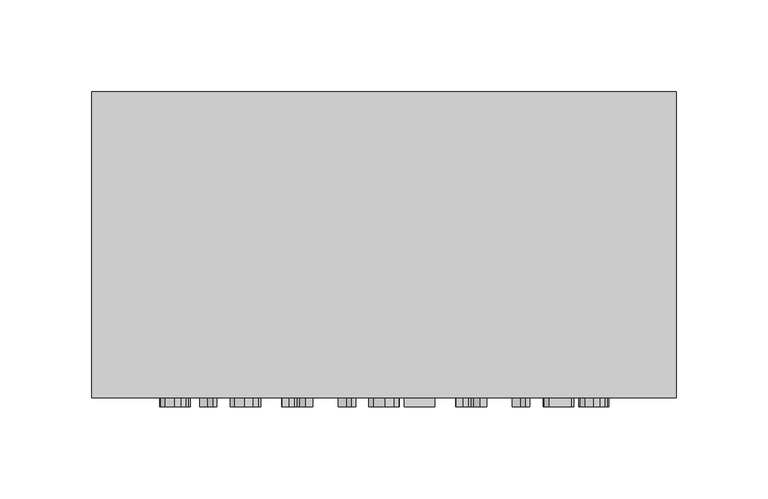
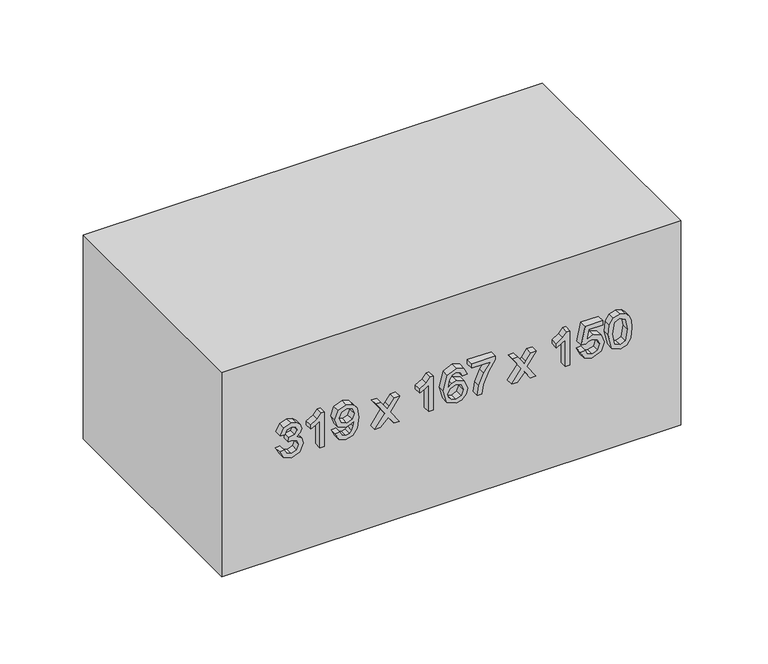
"""IFC4 building model written with IfcOpenShell, lengths in millimetres: furniture geometry."""

from ifc_helpers import new_model, si_unit, frame, origin, origin_with_axes, place, context, project, spatial, polyline, outline, extrude, source, transform, mapped, element, save


def furniture_8a64d2f9(model_context):
    return source(origin(), model_context, "Body", "SweptSolid", [
        extrude(outline(polyline([(81.6709268, -77.5345978), (76.5757612, -75.0391316), (74.6075925, -69.5331644), (76.9129864, -63.4569801), (82.5293182, -61.0534844), (86.6128083, -62.2552323), (88.7587866, -65.6765349), (90.8373199, -63.1013609), (93.7313249, -62.2307068), (96.8981758, -63.1473461), (99.2526205, -65.7960965), (100.1140775, -69.5822154), (98.3666381, -74.5731478), (93.4431507, -77.1421904), (93.0507432, -74.0029307), (95.9937992, -72.4639577), (96.9748178, -69.4718508), (96.0029962, -66.5165321), (93.5473839, -65.3699665), (90.7760062, -66.9518591), (89.9114835, -71.0169551), (86.7722238, -71.366443), (87.1155804, -69.1652824), (85.8310591, -65.5968271), (82.5845005, -64.1927441), (79.1386724, -65.6090898), (77.7468522, -69.4227998), (78.7585277, -72.6632271), (82.0633343, -74.3953381), (81.6709268, -77.5345978)])), frame((0.0, -172.0, 0.0), z_axis=(0.0, 1.0, 0.0), x_axis=(0.0, 0.0, 1.0)), (0.0, 0.0, 1.0), 5.0),
        extrude(outline(polyline([(75.0, -46.5344084), (100.1140775, -46.5344084), (100.1140775, -48.5577593), (96.7724827, -51.3505968), (93.8355582, -55.9521874), (90.8679767, -55.9521874), (92.452935, -52.6473809), (94.5713221, -49.6736681), (75.0, -49.6736681), (75.0, -46.5344084)])), frame((0.0, -172.0, 0.0), z_axis=(0.0, 1.0, 0.0), x_axis=(0.0, 0.0, 1.0)), (0.0, 0.0, 1.0), 5.0),
        extrude(outline(polyline([(81.2785194, -38.6862591), (76.3580977, -36.4360476), (74.6075925, -31.6106621), (76.0913833, -26.7638168), (80.410931, -23.6460169), (88.0352854, -22.5975532), (95.0618315, -23.6490826), (98.8019651, -26.7270286), (100.1140775, -31.1998605), (97.8148151, -36.8315207), (91.7447621, -39.0786666), (85.8647816, -36.935754), (83.6329642, -31.6903699), (84.5465378, -28.2476075), (86.3123714, -25.7184188), (82.6703396, -26.1721399), (79.9418815, -27.1991438), (78.3446605, -28.9220579), (77.7468522, -31.4635093), (78.6757543, -34.1367851), (81.6709268, -35.5469994), (81.2785194, -38.6862591)]), holes=[polyline([(91.8183385, -25.7368129), (88.1119274, -27.1562243), (86.7722238, -30.7767962), (88.1119274, -34.5475867), (91.591478, -35.9394069), (95.4756987, -34.4678789), (96.9748178, -30.6909571), (95.5829976, -27.0918449), (91.8183385, -25.7368129)])]), frame((0.0, -172.0, 0.0), z_axis=(0.0, 1.0, 0.0), x_axis=(0.0, 0.0, 1.0)), (0.0, 0.0, 1.0), 5.0),
        extrude(outline(polyline([(75.0, -11.2177368), (75.0, -7.440815), (80.5734122, -1.9655047), (75.0, 1.8788622), (75.0, 5.655784), (84.2706263, -0.7331), (93.4431507, 5.9010387), (93.4431507, 2.1241169), (88.648422, -1.3462366), (86.9439021, -2.5786413), (89.0285667, -4.0011184), (93.4431507, -7.0484076), (93.4431507, -10.8253294), (84.2706263, -4.5100218), (75.0, -11.2177368)])), frame((0.0, -172.0, 0.0), z_axis=(0.0, 1.0, 0.0), x_axis=(0.0, 0.0, 1.0)), (0.0, 0.0, 1.0), 5.0),
        extrude(outline(polyline([(75.0, 29.2002317), (100.1140775, 29.2002317), (100.1140775, 27.1768807), (96.7724827, 24.3840433), (93.8355582, 19.7824526), (90.8679767, 19.7824526), (92.452935, 23.0872592), (94.5713221, 26.060972), (75.0, 26.060972), (75.0, 29.2002317)])), frame((0.0, -172.0, 0.0), z_axis=(0.0, 1.0, 0.0), x_axis=(0.0, 0.0, 1.0)), (0.0, 0.0, 1.0), 5.0),
        extrude(outline(polyline([(93.4431507, 52.7446794), (98.3421126, 50.4270228), (100.1140775, 45.4667473), (97.2507293, 39.0104182), (86.7231729, 36.263566), (77.4280212, 38.7375724), (74.6075925, 45.1356535), (75.6713846, 49.2498004), (78.7370679, 52.1008859), (83.0688784, 53.1370869), (88.8507571, 50.9359263), (91.0887059, 45.6016373), (90.2701685, 42.1711377), (87.7655052, 39.4028257), (93.3603772, 40.2949395), (96.2145284, 42.4378522), (96.9748178, 45.2705435), (95.6688368, 48.4159346), (93.0507432, 49.6054197), (93.4431507, 52.7446794)]), holes=[polyline([(83.1179294, 39.4028257), (86.615874, 40.9632585), (87.9494462, 44.7616401), (86.615874, 48.6090726), (82.9646452, 49.9978272), (79.1509352, 48.5906785), (77.7468522, 44.8903988), (78.4243682, 42.0607731), (80.3986683, 40.1293926), (83.1179294, 39.4028257)])]), frame((0.0, -172.0, 0.0), z_axis=(0.0, 1.0, 0.0), x_axis=(0.0, 0.0, 1.0)), (0.0, 0.0, 1.0), 5.0),
        extrude(outline(polyline([(96.5824104, 55.8839391), (96.5824104, 69.2257928), (90.0862275, 64.480115), (82.0817284, 61.0557468), (75.0, 59.8080137), (75.0, 62.9472734), (81.824211, 64.112233), (90.429584, 67.6898854), (97.1832843, 72.3650525), (99.7216701, 72.3650525), (99.7216701, 55.8839391), (96.5824104, 55.8839391)])), frame((0.0, -172.0, 0.0), z_axis=(0.0, 1.0, 0.0), x_axis=(0.0, 0.0, 1.0)), (0.0, 0.0, 1.0), 5.0),
        extrude(outline(polyline([(75.0, 83.7448689), (75.0, 87.5217907), (80.5734122, 92.997101), (75.0, 96.8414679), (75.0, 100.6183897), (84.2706263, 94.2295057), (93.4431507, 100.8636444), (93.4431507, 97.0867225), (88.648422, 93.6163691), (86.9439021, 92.3839644), (89.0285667, 90.9614873), (93.4431507, 87.9141981), (93.4431507, 84.1372763), (84.2706263, 90.4525839), (75.0, 83.7448689)])), frame((0.0, -172.0, 0.0), z_axis=(0.0, 1.0, 0.0), x_axis=(0.0, 0.0, 1.0)), (0.0, 0.0, 1.0), 5.0),
        extrude(outline(polyline([(75.0, 124.1628374), (100.1140775, 124.1628374), (100.1140775, 122.1394864), (96.7724827, 119.3466489), (93.8355582, 114.7450583), (90.8679767, 114.7450583), (92.452935, 118.0498649), (94.5713221, 121.0235777), (75.0, 121.0235777), (75.0, 124.1628374)])), frame((0.0, -172.0, 0.0), z_axis=(0.0, 1.0, 0.0), x_axis=(0.0, 0.0, 1.0)), (0.0, 0.0, 1.0), 5.0),
        extrude(outline(polyline([(81.6709268, 131.6185792), (76.5420387, 134.0680601), (74.6075925, 139.6077498), (77.6180935, 146.1315239), (83.4428918, 148.0996925), (89.2309018, 145.9138604), (91.4811134, 140.5458489), (89.6662289, 135.9534553), (96.5824104, 137.2962246), (96.5824104, 146.9224702), (99.7216701, 146.9224702), (99.7216701, 134.7578389), (86.7722238, 132.0109866), (86.3798164, 135.1502463), (87.7961621, 136.9130142), (88.3418537, 139.6690635), (86.9745589, 143.6452547), (83.2466881, 144.9604329), (79.2521027, 143.5563499), (77.7468522, 139.6200126), (78.8290384, 136.3397314), (82.0633343, 134.7578389), (81.6709268, 131.6185792)])), frame((0.0, -172.0, 0.0), z_axis=(0.0, 1.0, 0.0), x_axis=(0.0, 0.0, 1.0)), (0.0, 0.0, 1.0), 5.0),
        extrude(outline(polyline([(87.3547037, 150.8465448), (76.9988255, 153.3481423), (74.6075925, 159.0871015), (75.9840843, 163.6825607), (80.159545, 166.4140845), (87.3547037, 167.3276582), (93.256144, 166.7574411), (96.9717522, 165.2859131), (99.3047371, 162.7536587), (100.1140775, 159.0871015), (98.7467828, 154.5100363), (94.5805192, 151.7693154), (87.3547037, 150.8465448)]), holes=[polyline([(87.360835, 153.9858045), (95.2948234, 155.5063834), (96.9748178, 159.0503133), (95.0679628, 162.7659214), (87.360835, 164.1883985), (79.5709338, 162.7168705), (77.7468522, 159.0871015), (79.5648024, 155.4573324), (87.360835, 153.9858045)])]), frame((0.0, -172.0, 0.0), z_axis=(0.0, 1.0, 0.0), x_axis=(0.0, 0.0, 1.0)), (0.0, 0.0, 1.0), 5.0),
        extrude(outline(polyline([(204.2003264, 0.0), (204.2003264, -167.0), (-114.7996736, -167.0), (-114.7996736, 0.0), (204.2003264, 0.0)])), origin_with_axes(), (0.0, 0.0, 1.0), 150.0),
    ])


if __name__ == "__main__":
    model = new_model("IFC4")
    model_context = context("Model", 3, world=origin())
    ifc_project = project(units=[si_unit("LENGTHUNIT", "METRE", prefix="MILLI")], contexts=[model_context])
    site = spatial("IfcSite", under=ifc_project)
    building = spatial("IfcBuilding", under=site)
    placement = place(None, origin())
    furniture_shape = furniture_8a64d2f9(model_context)
    element("IfcFurniture", 1, at=placement, inside=building, context=model_context, shape_type="MappedRepresentation", body=[
        mapped(furniture_shape, transform((0.0, 0.0, 0.0), x_axis=(1.0, 0.0, 0.0), y_axis=(0.0, 1.0, 0.0), z_axis=(0.0, 0.0, 1.0))),
    ])
    save(model, "model.ifc")
